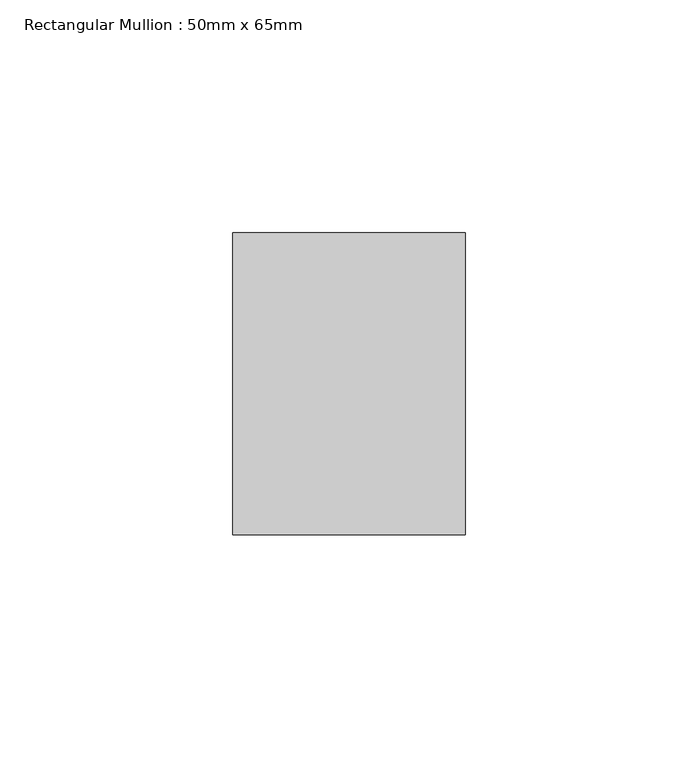
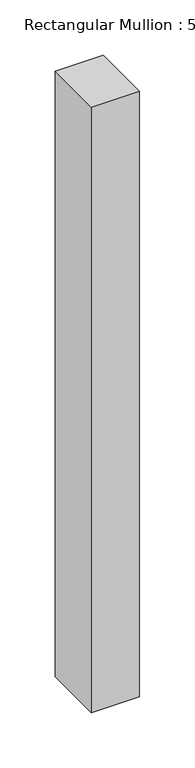
"""IFC4 building model written with IfcOpenShell, lengths in millimetres: member geometry, Rectangular Mullion : 50mm x 65mm."""

from ifc_helpers import new_model, si_unit, frame, origin, place, context, project, spatial, polyline, outline, extrude, source, transform, mapped, element, save


def rectangular_mullion_50mm_x_65mm_9bd1f826(model_context):
    return source(origin(), model_context, "Body", "SweptSolid", [
        extrude(outline(polyline([(25.0, 32.5), (25.0, -32.5), (-25.0, -32.5), (-25.0, 32.5), (25.0, 32.5)])), frame((0.0, 0.0, -667.5405235), z_axis=(0.0, 0.0, 1.0), x_axis=(1.0, 0.0, 0.0)), (0.0, 0.0, 1.0), 667.5405235),
    ])


if __name__ == "__main__":
    model = new_model("IFC4")
    model_context = context("Model", 3, world=origin())
    ifc_project = project(units=[si_unit("LENGTHUNIT", "METRE", prefix="MILLI")], contexts=[model_context])
    site = spatial("IfcSite", under=ifc_project)
    building = spatial("IfcBuilding", under=site)
    placement = place(None, origin())
    rectangular_mullion_50mm_x_65mm_shape = rectangular_mullion_50mm_x_65mm_9bd1f826(model_context)
    element("IfcMember", 1, ObjectType="Rectangular Mullion : 50mm x 65mm", at=placement, inside=building, context=model_context, shape_type="MappedRepresentation", body=[
        mapped(rectangular_mullion_50mm_x_65mm_shape, transform((0.0, 0.0, 0.0), x_axis=(1.0, 0.0, 0.0), y_axis=(0.0, 1.0, 0.0), z_axis=(0.0, 0.0, 1.0))),
    ])
    save(model, "model.ifc")
